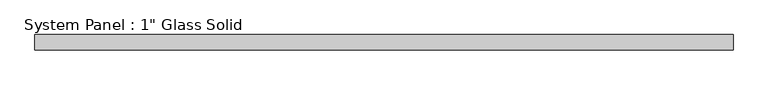
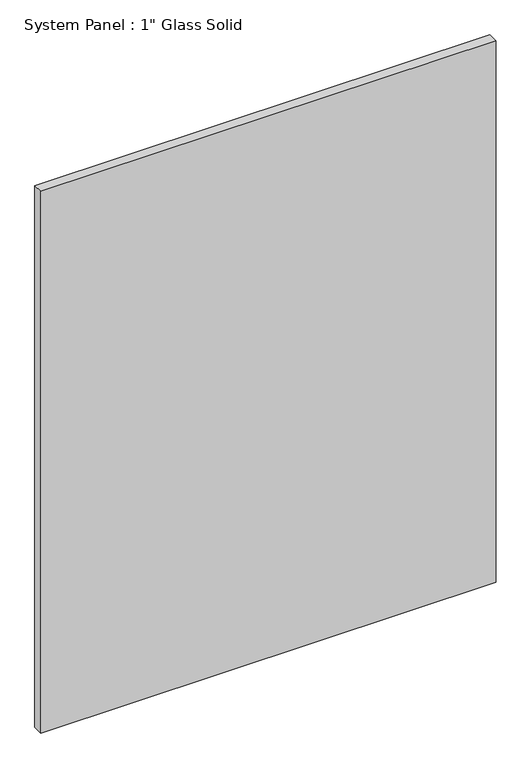
"""IFC4 building model written with IfcOpenShell, lengths in millimetres: plate geometry."""

from ifc_helpers import new_model, si_unit, origin, origin_with_axes, place, context, project, spatial, polyline, outline, extrude, source, transform, mapped, element, save


def plate_1763b2c5(model_context):
    return source(origin(), model_context, "Body", "SweptSolid", [
        extrude(outline(polyline([(577.8508852, -12.7), (-577.8508852, -12.7), (-577.8508852, 12.7), (577.8508852, 12.7), (577.8508852, -12.7)])), origin_with_axes(), (0.0, 0.0, 1.0), 1452.8817704),
    ])


if __name__ == "__main__":
    model = new_model("IFC4")
    model_context = context("Model", 3, world=origin())
    ifc_project = project(units=[si_unit("LENGTHUNIT", "METRE", prefix="MILLI")], contexts=[model_context])
    site = spatial("IfcSite", under=ifc_project)
    building = spatial("IfcBuilding", under=site)
    placement = place(None, origin())
    plate_shape = plate_1763b2c5(model_context)
    element("IfcPlate", 1, ObjectType="System Panel : 1\" Glass Solid", at=placement, inside=building, context=model_context, shape_type="MappedRepresentation", body=[
        mapped(plate_shape, transform((0.0, 0.0, 0.0), x_axis=(1.0, 0.0, 0.0), y_axis=(0.0, 1.0, 0.0), z_axis=(0.0, 0.0, 1.0))),
    ])
    save(model, "model.ifc")
